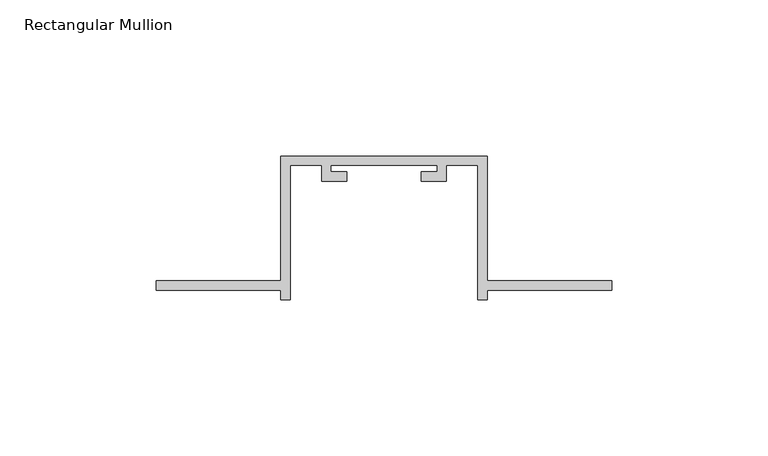
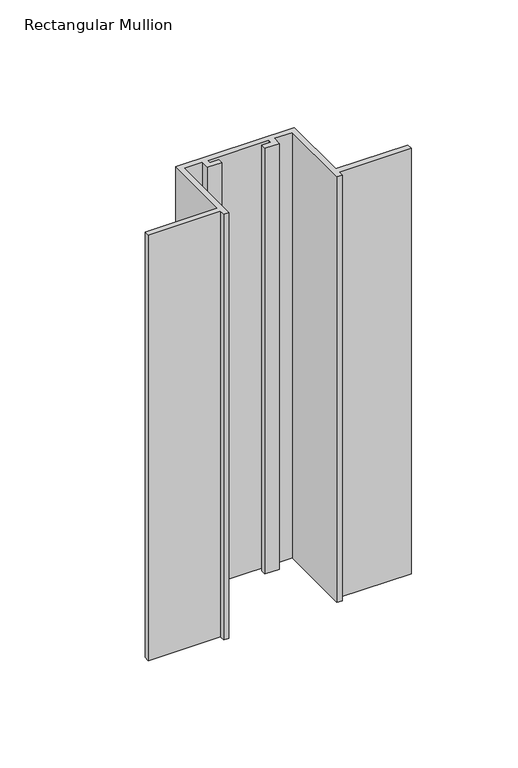
"""IFC4 building model written with IfcOpenShell, lengths in millimetres: member geometry, Rectangular Mullion."""

from ifc_helpers import new_model, si_unit, frame, origin, place, context, project, spatial, polyline, outline, extrude, source, transform, mapped, element, save


def rectangular_mullion_0e38ca78(model_context):
    return source(origin(), model_context, "Body", "SweptSolid", [
        extrude(outline(polyline([(-40.0, -132.0), (-40.0, -135.0), (-43.0, -135.0), (-43.0, -92.0), (-53.0, -92.0), (-53.0, -97.0), (-61.0, -97.0), (-61.0, -94.0), (-56.0, -94.0), (-56.0, -92.0), (-90.0, -92.0), (-90.0, -94.0), (-85.0, -94.0), (-85.0, -97.0), (-93.0, -97.0), (-93.0, -92.0), (-103.0, -92.0), (-103.0, -135.0), (-106.0, -135.0), (-106.0, -132.0), (-146.0, -132.0), (-146.0, -129.0), (-106.0, -129.0), (-106.0, -89.0), (-40.0, -89.0), (-40.0, -129.0), (0.0, -129.0), (0.0, -132.0), (-40.0, -132.0)])), frame((0.0, 0.0, -250.4084279), z_axis=(0.0, 0.0, 1.0), x_axis=(1.0, 0.0, 0.0)), (0.0, 0.0, 1.0), 250.4084279),
    ])


if __name__ == "__main__":
    model = new_model("IFC4")
    model_context = context("Model", 3, world=origin())
    ifc_project = project(units=[si_unit("LENGTHUNIT", "METRE", prefix="MILLI")], contexts=[model_context])
    site = spatial("IfcSite", under=ifc_project)
    building = spatial("IfcBuilding", under=site)
    placement = place(None, origin())
    rectangular_mullion_shape = rectangular_mullion_0e38ca78(model_context)
    element("IfcMember", 1, ObjectType="Rectangular Mullion", at=placement, inside=building, context=model_context, shape_type="MappedRepresentation", body=[
        mapped(rectangular_mullion_shape, transform((0.0, 0.0, 0.0), x_axis=(1.0, 0.0, 0.0), y_axis=(0.0, 1.0, 0.0), z_axis=(0.0, 0.0, 1.0))),
    ])
    save(model, "model.ifc")
